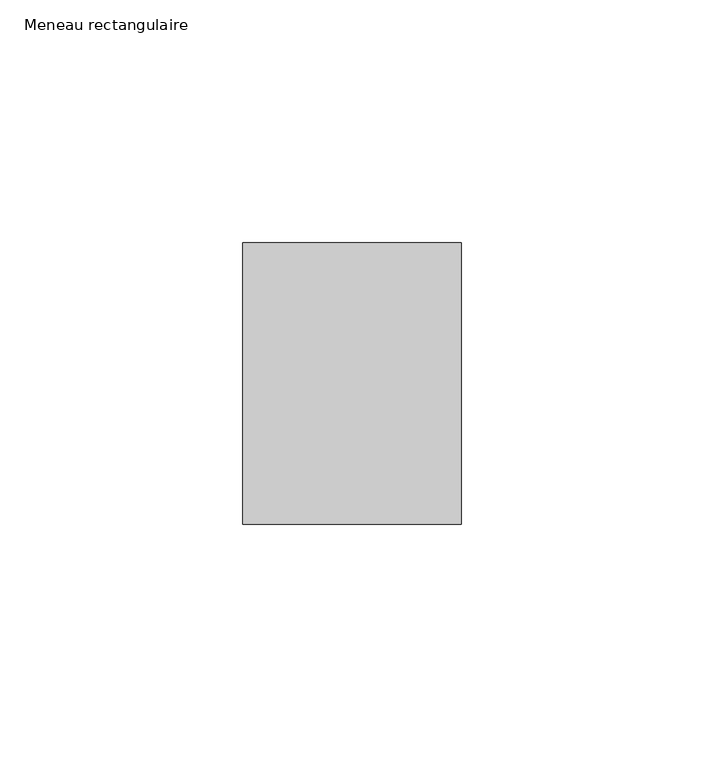
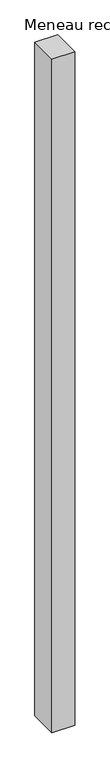
"""IFC4 building model written with IfcOpenShell, lengths in millimetres: member geometry, Meneau rectangulaire."""

from ifc_helpers import new_model, si_unit, frame, origin, place, context, project, spatial, polyline, outline, extrude, source, transform, mapped, element, save


def meneau_rectangulaire_c887e8ba(model_context):
    return source(origin(), model_context, "Body", "SweptSolid", [
        extrude(outline(polyline([(-45.0, 29.0), (0.0, 29.0), (0.0, -29.0), (-45.0, -29.0), (-45.0, 29.0)])), frame((0.0, 0.0, -1401.2500002), z_axis=(0.0, 0.0, 1.0), x_axis=(1.0, 0.0, 0.0)), (0.0, 0.0, 1.0), 1401.2500002),
    ])


if __name__ == "__main__":
    model = new_model("IFC4")
    model_context = context("Model", 3, world=origin())
    ifc_project = project(units=[si_unit("LENGTHUNIT", "METRE", prefix="MILLI")], contexts=[model_context])
    site = spatial("IfcSite", under=ifc_project)
    building = spatial("IfcBuilding", under=site)
    placement = place(None, origin())
    meneau_rectangulaire_shape = meneau_rectangulaire_c887e8ba(model_context)
    element("IfcMember", 1, ObjectType="Meneau rectangulaire", at=placement, inside=building, context=model_context, shape_type="MappedRepresentation", body=[
        mapped(meneau_rectangulaire_shape, transform((0.0, 0.0, 0.0), x_axis=(1.0, 0.0, 0.0), y_axis=(0.0, 1.0, 0.0), z_axis=(0.0, 0.0, 1.0))),
    ])
    save(model, "model.ifc")
